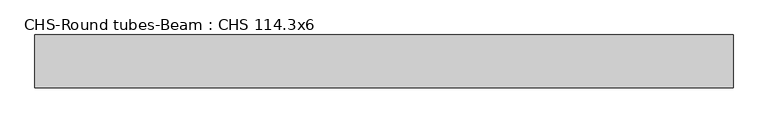
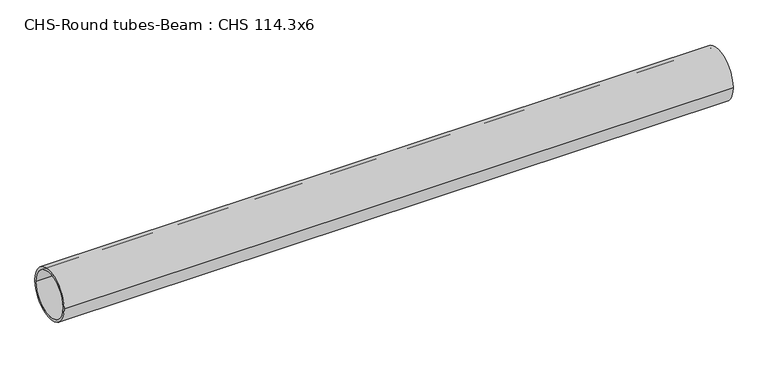
"""IFC4 building model written with IfcOpenShell, lengths in millimetres: beam geometry, CHS-Round tubes-Beam : CHS 114.3x6."""

from ifc_helpers import new_model, si_unit, point, frame, origin, origin_2d, place, context, project, spatial, circle_curve, trimmed, segment, composite_curve, outline, extrude, source, transform, mapped, element, save


def chs_round_tubes_beam_chs_114_3x6_d775e840(model_context):
    return source(origin(), model_context, "Body", "SweptSolid", [
        extrude(outline(composite_curve([segment(trimmed(circle_curve(origin_2d(), 57.15), [point((57.15, 0.0))], [point((-57.15, 0.0))], False, "CARTESIAN"), True, "CONTINUOUS"), segment(trimmed(circle_curve(origin_2d(), 57.15), [point((-57.15, 0.0))], [point((57.15, 0.0))], False, "CARTESIAN"), True, "CONTINUOUS")], self_intersect=False), holes=[composite_curve([segment(trimmed(circle_curve(origin_2d(), 51.15), [point((51.15, 0.0))], [point((-51.15, 0.0))], True, "CARTESIAN"), True, "CONTINUOUS"), segment(trimmed(circle_curve(origin_2d(), 51.15), [point((-51.15, 0.0))], [point((51.15, 0.0))], True, "CARTESIAN"), True, "CONTINUOUS")], self_intersect=False)]), frame((-747.5061051, 0.0, 0.0), z_axis=(1.0, 0.0, 0.0), x_axis=(0.0, 1.0, 0.0)), (0.0, 0.0, 1.0), 1508.0823744),
    ])


if __name__ == "__main__":
    model = new_model("IFC4")
    model_context = context("Model", 3, world=origin())
    ifc_project = project(units=[si_unit("LENGTHUNIT", "METRE", prefix="MILLI")], contexts=[model_context])
    site = spatial("IfcSite", under=ifc_project)
    building = spatial("IfcBuilding", under=site)
    placement = place(None, origin())
    chs_round_tubes_beam_chs_114_3x6_shape = chs_round_tubes_beam_chs_114_3x6_d775e840(model_context)
    element("IfcBeam", 1, ObjectType="CHS-Round tubes-Beam : CHS 114.3x6", at=placement, inside=building, context=model_context, shape_type="MappedRepresentation", body=[
        mapped(chs_round_tubes_beam_chs_114_3x6_shape, transform((0.0, 0.0, 0.0), x_axis=(1.0, 0.0, 0.0), y_axis=(0.0, 1.0, 0.0), z_axis=(0.0, 0.0, 1.0))),
    ])
    save(model, "model.ifc")
